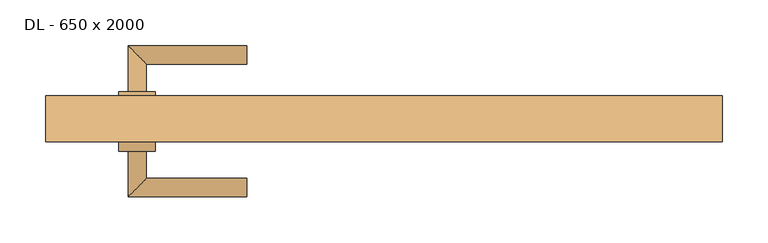
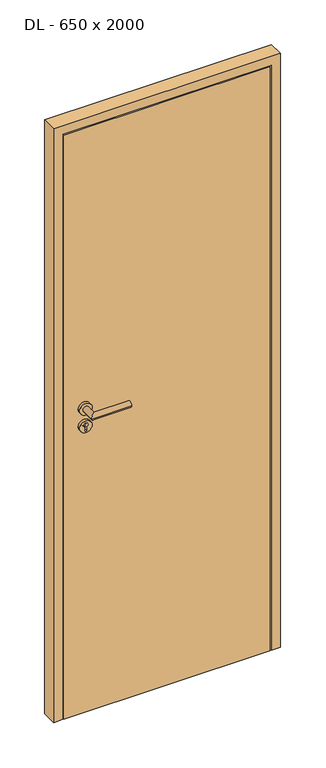
"""IFC4 building model written with IfcOpenShell, lengths in millimetres: door geometry, DL - 650 x 2000."""

from ifc_helpers import new_model, si_unit, point, frame, frame_2d, origin, origin_with_axes, place, context, project, spatial, polyline, circle_curve, ellipse_curve, trimmed, segment, composite_curve, outline, extrude, faceted_brep, source, transform, mapped, element, save
from ifc_brep_helpers import plane_surface, cylinder_surface, advanced_brep


def dl_650_x_2000_505aa230(model_context):
    return source(origin(), model_context, "Body", "SolidModel", [
        extrude(outline(polyline([(336.0, -25.0), (-336.0, -25.0), (-336.0, 20.0), (336.0, 20.0), (336.0, -25.0)])), origin_with_axes(), (0.0, 0.0, 1.0), 2011.0),
        advanced_brep(
        [(-260.0, -35.0, 1050.0), (-280.0, -35.0, 1050.0), (-280.0, -85.0, 1050.0), (-260.0, -65.0, 1050.0), (-150.0, -65.0, 1050.0), (-150.0, -85.0, 1050.0)],
        [
            (0, 1, circle_curve(frame((-270.0, -35.0, 1050.0), z_axis=(0.0, 1.0, 0.0), x_axis=(-1.0, 0.0, 0.0)), 10.0)),
            (1, 0, circle_curve(frame((-270.0, -35.0, 1050.0), z_axis=(0.0, 1.0, 0.0), x_axis=(-1.0, 0.0, 0.0)), 10.0)),
            (1, 2),
            (2, 3, ellipse_curve(frame((-270.0, -75.0, 1050.0), z_axis=(-0.7071067811865531, 0.7071067811865419, 0.0), x_axis=(0.707106781186542, 0.707106781186553, 0.0)), 14.1421356, 10.0)),
            (3, 0),
            (3, 2, ellipse_curve(frame((-270.0, -75.0, 1050.0), z_axis=(-0.7071067811865531, 0.7071067811865419, 0.0), x_axis=(0.707106781186542, 0.707106781186553, 0.0)), 14.1421356, 10.0)),
            (4, 5, circle_curve(frame((-150.0, -75.0, 1050.0), z_axis=(1.0, 0.0, 0.0), x_axis=(0.0, -1.0, 0.0)), 10.0)),
            (5, 4, circle_curve(frame((-150.0, -75.0, 1050.0), z_axis=(1.0, 0.0, 0.0), x_axis=(0.0, -1.0, 0.0)), 10.0)),
            (2, 5),
            (4, 3),
        ],
        [
            plane_surface(frame((-270.0, -35.0, 1050.0), z_axis=(0.0, 1.0, 0.0), x_axis=(0.0, 0.0, 1.0))),
            cylinder_surface(frame((-270.0, -35.0, 1050.0), z_axis=(0.0, 1.0, 0.0), x_axis=(-1.0, 0.0, 0.0)), 10.0),
            plane_surface(frame((-150.0, -75.0, 1050.0), z_axis=(1.0, 0.0, 0.0), x_axis=(0.0, 0.0, 1.0))),
            cylinder_surface(frame((-270.0, -75.0, 1050.0), z_axis=(-1.0, 0.0, 0.0), x_axis=(0.0, -1.0, 0.0)), 10.0),
        ],
        [
            (0, [[1, 2]]),
            (1, [[3, 4, 5, -2]]),
            (1, [[-5, 6, -3, -1]]),
            (2, [[7, 8]]),
            (3, [[9, -7, 10, -4]]),
            (3, [[-10, -8, -9, -6]]),
        ],
    ),
        extrude(outline(composite_curve([segment(trimmed(circle_curve(frame_2d((990.0, -270.0)), 20.0), [point((990.0, -290.0))], [point((990.0, -250.0))], False, "CARTESIAN"), True, "CONTINUOUS"), segment(trimmed(circle_curve(frame_2d((990.0, -270.0)), 20.0), [point((990.0, -250.0))], [point((990.0, -290.0))], False, "CARTESIAN"), True, "CONTINUOUS")], self_intersect=False), holes=[composite_curve([segment(polyline([(976.4601385, -272.397268), (988.4749012, -272.397268)]), True, "CONTINUOUS"), segment(trimmed(circle_curve(frame_2d((995.0361633, -270.0)), 6.9854888), [point((988.4749012, -272.397268))], [point((988.4749012, -267.602732))], True, "CARTESIAN"), True, "CONTINUOUS"), segment(polyline([(988.4749012, -267.602732), (976.4601385, -267.602732)]), True, "CONTINUOUS"), segment(trimmed(circle_curve(frame_2d((976.4601385, -270.0)), 2.397268), [point((976.4601385, -267.602732))], [point((976.4601385, -272.397268))], True, "CARTESIAN"), True, "CONTINUOUS")], self_intersect=False)]), frame((0.0, -35.0, 0.0), z_axis=(0.0, 1.0, 0.0), x_axis=(0.0, 0.0, 1.0)), (0.0, 0.0, 1.0), 10.0),
        advanced_brep(
        [(-260.0, -35.0, 1050.0), (-280.0, -35.0, 1050.0), (-280.0, -85.0, 1050.0), (-260.0, -65.0, 1050.0), (-150.0, -65.0, 1050.0), (-150.0, -85.0, 1050.0)],
        [
            (0, 1, circle_curve(frame((-270.0, -35.0, 1050.0), z_axis=(0.0, 1.0, 0.0), x_axis=(-1.0, 0.0, 0.0)), 10.0)),
            (1, 0, circle_curve(frame((-270.0, -35.0, 1050.0), z_axis=(0.0, 1.0, 0.0), x_axis=(-1.0, 0.0, 0.0)), 10.0)),
            (1, 2),
            (2, 3, ellipse_curve(frame((-270.0, -75.0, 1050.0), z_axis=(-0.7071067811865537, 0.7071067811865414, 0.0), x_axis=(0.7071067811865414, 0.7071067811865536, 0.0)), 14.1421356, 10.0)),
            (3, 0),
            (3, 2, ellipse_curve(frame((-270.0, -75.0, 1050.0), z_axis=(-0.7071067811865537, 0.7071067811865414, 0.0), x_axis=(0.7071067811865414, 0.7071067811865536, 0.0)), 14.1421356, 10.0)),
            (4, 5, circle_curve(frame((-150.0, -75.0, 1050.0), z_axis=(1.0, 0.0, 0.0), x_axis=(0.0, -1.0, 0.0)), 10.0)),
            (5, 4, circle_curve(frame((-150.0, -75.0, 1050.0), z_axis=(1.0, 0.0, 0.0), x_axis=(0.0, -1.0, 0.0)), 10.0)),
            (2, 5),
            (4, 3),
        ],
        [
            plane_surface(frame((-270.0, -35.0, 1050.0), z_axis=(0.0, 1.0, 0.0), x_axis=(0.0, 0.0, 1.0))),
            cylinder_surface(frame((-270.0, -35.0, 1050.0), z_axis=(0.0, 1.0, 0.0), x_axis=(-1.0, 0.0, 0.0)), 10.0),
            plane_surface(frame((-150.0, -75.0, 1050.0), z_axis=(1.0, 0.0, 0.0), x_axis=(0.0, 0.0, 1.0))),
            cylinder_surface(frame((-270.0, -75.0, 1050.0), z_axis=(-1.0, 0.0, 0.0), x_axis=(0.0, -1.0, 0.0)), 10.0),
        ],
        [
            (0, [[1, 2]]),
            (1, [[3, 4, 5, -2]]),
            (1, [[-5, 6, -3, -1]]),
            (2, [[7, 8]]),
            (3, [[9, -7, 10, -4]]),
            (3, [[-10, -8, -9, -6]]),
        ],
    ),
        extrude(outline(composite_curve([segment(trimmed(circle_curve(frame_2d((1050.0, -270.0)), 20.0), [point((1050.0, -290.0))], [point((1050.0, -250.0))], False, "CARTESIAN"), True, "CONTINUOUS"), segment(trimmed(circle_curve(frame_2d((1050.0, -270.0)), 20.0), [point((1050.0, -250.0))], [point((1050.0, -290.0))], False, "CARTESIAN"), True, "CONTINUOUS")], self_intersect=False)), frame((0.0, -35.0, 0.0), z_axis=(0.0, 1.0, 0.0), x_axis=(0.0, 0.0, 1.0)), (0.0, 0.0, 1.0), 10.0),
        advanced_brep(
        [(-260.0, 30.0, 1050.0), (-280.0, 30.0, 1050.0), (-260.0, 60.0, 1050.0), (-280.0, 80.0, 1050.0), (-150.0, 60.0, 1050.0), (-150.0, 80.0, 1050.0)],
        [
            (0, 1, circle_curve(frame((-270.0, 30.0, 1050.0), z_axis=(0.0, -1.0, 0.0), x_axis=(-1.0, 0.0, 0.0)), 10.0)),
            (1, 0, circle_curve(frame((-270.0, 30.0, 1050.0), z_axis=(0.0, -1.0, 0.0), x_axis=(-1.0, 0.0, 0.0)), 10.0)),
            (0, 2),
            (2, 3, ellipse_curve(frame((-270.0, 70.0, 1050.0), z_axis=(-0.7071067811865486, -0.7071067811865464, 0.0), x_axis=(0.7071067811865464, -0.7071067811865488, 0.0)), 14.1421356, 10.0)),
            (3, 1),
            (3, 2, ellipse_curve(frame((-270.0, 70.0, 1050.0), z_axis=(-0.7071067811865486, -0.7071067811865464, 0.0), x_axis=(0.7071067811865464, -0.7071067811865488, 0.0)), 14.1421356, 10.0)),
            (4, 5, circle_curve(frame((-150.0, 70.0, 1050.0), z_axis=(1.0, 0.0, 0.0), x_axis=(0.0, 1.0, 0.0)), 10.0)),
            (5, 4, circle_curve(frame((-150.0, 70.0, 1050.0), z_axis=(1.0, 0.0, 0.0), x_axis=(0.0, 1.0, 0.0)), 10.0)),
            (2, 4),
            (5, 3),
        ],
        [
            plane_surface(frame((-270.0, 30.0, 1050.0), z_axis=(0.0, -1.0, 0.0), x_axis=(0.0, 0.0, 1.0))),
            cylinder_surface(frame((-270.0, 30.0, 1050.0), z_axis=(0.0, -1.0, 0.0), x_axis=(-1.0, 0.0, 0.0)), 10.0),
            plane_surface(frame((-150.0, 70.0, 1050.0), z_axis=(1.0, 0.0, 0.0), x_axis=(0.0, 0.0, 1.0))),
            cylinder_surface(frame((-270.0, 70.0, 1050.0), z_axis=(-1.0, 0.0, 0.0), x_axis=(0.0, 1.0, 0.0)), 10.0),
        ],
        [
            (0, [[1, 2]]),
            (1, [[-1, 3, 4, 5]]),
            (1, [[-2, -5, 6, -3]]),
            (2, [[7, 8]]),
            (3, [[-4, 9, -8, 10]]),
            (3, [[-6, -10, -7, -9]]),
        ],
    ),
        extrude(outline(composite_curve([segment(trimmed(circle_curve(frame_2d((990.0, -270.0)), 20.0), [point((990.0, -290.0))], [point((990.0, -250.0))], False, "CARTESIAN"), True, "CONTINUOUS"), segment(trimmed(circle_curve(frame_2d((990.0, -270.0)), 20.0), [point((990.0, -250.0))], [point((990.0, -290.0))], False, "CARTESIAN"), True, "CONTINUOUS")], self_intersect=False), holes=[composite_curve([segment(polyline([(976.4601385, -272.397268), (988.4749012, -272.397268)]), True, "CONTINUOUS"), segment(trimmed(circle_curve(frame_2d((995.0361633, -270.0)), 6.9854888), [point((988.4749012, -272.397268))], [point((988.4749012, -267.602732))], True, "CARTESIAN"), True, "CONTINUOUS"), segment(polyline([(988.4749012, -267.602732), (976.4601385, -267.602732)]), True, "CONTINUOUS"), segment(trimmed(circle_curve(frame_2d((976.4601385, -270.0)), 2.397268), [point((976.4601385, -267.602732))], [point((976.4601385, -272.397268))], True, "CARTESIAN"), True, "CONTINUOUS")], self_intersect=False)]), frame((0.0, 20.0, 0.0), z_axis=(0.0, 1.0, 0.0), x_axis=(0.0, 0.0, 1.0)), (0.0, 0.0, 1.0), 10.0),
        advanced_brep(
        [(-260.0, 30.0, 1050.0), (-280.0, 30.0, 1050.0), (-260.0, 60.0, 1050.0), (-280.0, 80.0, 1050.0), (-150.0, 60.0, 1050.0), (-150.0, 80.0, 1050.0)],
        [
            (0, 1, circle_curve(frame((-270.0, 30.0, 1050.0), z_axis=(0.0, -1.0, 0.0), x_axis=(-1.0, 0.0, 0.0)), 10.0)),
            (1, 0, circle_curve(frame((-270.0, 30.0, 1050.0), z_axis=(0.0, -1.0, 0.0), x_axis=(-1.0, 0.0, 0.0)), 10.0)),
            (0, 2),
            (2, 3, ellipse_curve(frame((-270.0, 70.0, 1050.0), z_axis=(-0.7071067811865491, -0.7071067811865459, 0.0), x_axis=(0.7071067811865458, -0.7071067811865492, 0.0)), 14.1421356, 10.0)),
            (3, 1),
            (3, 2, ellipse_curve(frame((-270.0, 70.0, 1050.0), z_axis=(-0.7071067811865491, -0.7071067811865459, 0.0), x_axis=(0.7071067811865458, -0.7071067811865492, 0.0)), 14.1421356, 10.0)),
            (4, 5, circle_curve(frame((-150.0, 70.0, 1050.0), z_axis=(1.0, 0.0, 0.0), x_axis=(0.0, 1.0, 0.0)), 10.0)),
            (5, 4, circle_curve(frame((-150.0, 70.0, 1050.0), z_axis=(1.0, 0.0, 0.0), x_axis=(0.0, 1.0, 0.0)), 10.0)),
            (2, 4),
            (5, 3),
        ],
        [
            plane_surface(frame((-270.0, 30.0, 1050.0), z_axis=(0.0, -1.0, 0.0), x_axis=(0.0, 0.0, 1.0))),
            cylinder_surface(frame((-270.0, 30.0, 1050.0), z_axis=(0.0, -1.0, 0.0), x_axis=(-1.0, 0.0, 0.0)), 10.0),
            plane_surface(frame((-150.0, 70.0, 1050.0), z_axis=(1.0, 0.0, 0.0), x_axis=(0.0, 0.0, 1.0))),
            cylinder_surface(frame((-270.0, 70.0, 1050.0), z_axis=(-1.0, 0.0, 0.0), x_axis=(0.0, 1.0, 0.0)), 10.0),
        ],
        [
            (0, [[1, 2]]),
            (1, [[-1, 3, 4, 5]]),
            (1, [[-2, -5, 6, -3]]),
            (2, [[7, 8]]),
            (3, [[-4, 9, -8, 10]]),
            (3, [[-6, -10, -7, -9]]),
        ],
    ),
        extrude(outline(composite_curve([segment(trimmed(circle_curve(frame_2d((1050.0, -270.0)), 20.0), [point((1050.0, -290.0))], [point((1050.0, -250.0))], False, "CARTESIAN"), True, "CONTINUOUS"), segment(trimmed(circle_curve(frame_2d((1050.0, -270.0)), 20.0), [point((1050.0, -250.0))], [point((1050.0, -290.0))], False, "CARTESIAN"), True, "CONTINUOUS")], self_intersect=False)), frame((0.0, 20.0, 0.0), z_axis=(0.0, 1.0, 0.0), x_axis=(0.0, 0.0, 1.0)), (0.0, 0.0, 1.0), 10.0),
        faceted_brep([(-340.0, -25.0, 0.0), (-370.0, -25.0, 0.0), (-370.0, 25.0, 0.0), (-325.0, 25.0, 0.0), (-325.0, 20.0, 0.0), (-340.0, 20.0, 0.0), (-340.0, 20.0, 2015.0), (-340.0, -25.0, 2015.0), (-325.0, 20.0, 2000.0), (325.0, 20.0, 2000.0), (325.0, 20.0, 0.0), (340.0, 20.0, 0.0), (340.0, 20.0, 2015.0), (-325.0, 25.0, 2000.0), (-370.0, 25.0, 2045.0), (370.0, 25.0, 2045.0), (370.0, 25.0, 0.0), (325.0, 25.0, 0.0), (325.0, 25.0, 2000.0), (-370.0, -25.0, 2045.0), (340.0, -25.0, 2015.0), (340.0, -25.0, 0.0), (370.0, -25.0, 0.0), (370.0, -25.0, 2045.0)], [[[0, 1, 2, 3, 4, 5]], [[5, 6, 7, 0]], [[4, 8, 9, 10, 11, 12, 6, 5]], [[3, 13, 8, 4]], [[2, 14, 15, 16, 17, 18, 13, 3]], [[1, 19, 14, 2]], [[0, 7, 20, 21, 22, 23, 19, 1]], [[23, 22, 16, 15]], [[21, 11, 10, 17, 16, 22]], [[12, 11, 21, 20]], [[18, 17, 10, 9]], [[19, 23, 15, 14]], [[13, 18, 9, 8]], [[6, 12, 20, 7]]]),
    ])


if __name__ == "__main__":
    model = new_model("IFC4")
    model_context = context("Model", 3, world=origin())
    ifc_project = project(units=[si_unit("LENGTHUNIT", "METRE", prefix="MILLI")], contexts=[model_context])
    site = spatial("IfcSite", under=ifc_project)
    building = spatial("IfcBuilding", under=site)
    placement = place(None, origin())
    dl_650_x_2000_shape = dl_650_x_2000_505aa230(model_context)
    element("IfcDoor", 1, ObjectType="DL - 650 x 2000", at=placement, inside=building, context=model_context, shape_type="MappedRepresentation", body=[
        mapped(dl_650_x_2000_shape, transform((0.0, 0.0, 0.0), x_axis=(1.0, 0.0, 0.0), y_axis=(0.0, 1.0, 0.0), z_axis=(0.0, 0.0, 1.0))),
    ])
    save(model, "model.ifc")
